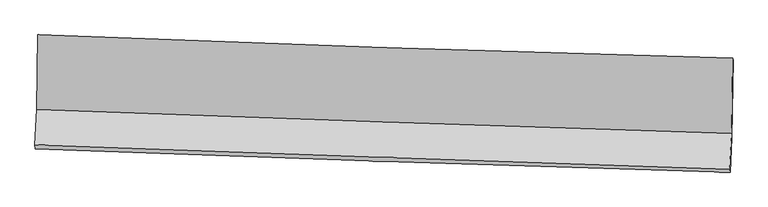
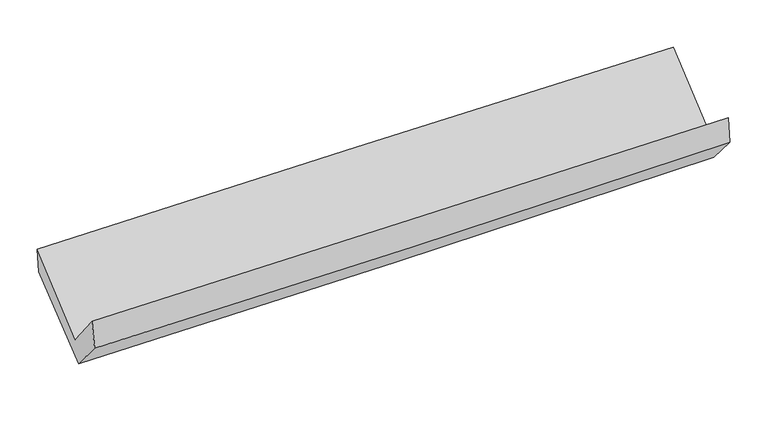
"""IFC4 building model written with IfcOpenShell, lengths in millimetres: proxy geometry."""

from ifc_helpers import new_model, si_unit, frame, origin, place, context, project, spatial, source, transform, mapped, element, save
from ifc_brep_helpers import plane_surface, spline_curve, spline_surface, advanced_brep


def generic_models_6e4bf990(model_context):
    return source(origin(), model_context, "Body", "AdvancedBrep", [
        advanced_brep(
        [(-2407.3217417, -1127.0404477, 2196.5692785), (-2413.2155769, -1644.5220262, 1775.1980801), (2399.8918542, -1811.5602446, 1840.2389899), (2407.1416224, -1288.5971603, 2257.7973746), (-2426.7671971, -1890.4829142, 2077.4496342), (2385.8962361, -2062.1914902, 2157.4079472), (-2423.2473424, -1919.3301201, 1874.0626972), (2389.1743576, -2080.5464613, 1969.0693055), (-2410.5935085, -1682.6667962, 1601.2581212), (2401.8471442, -1843.8836957, 1696.265125), (-2403.9014919, -1139.6900476, 2019.6515148), (2409.6808961, -1300.9405775, 2114.6823418)],
        [
            (0, 1),
            (1, 2, spline_curve(3, [(-2413.2155769, -1644.5220262, 1775.1980801), (-1610.911440946, -1675.287568585, 1791.486439098), (-808.502279641, -1704.595310792, 1805.051802612), (795.867036513, -1760.272323336, 1826.727635407), (1597.827018958, -1786.643987239, 1834.842574789), (2399.8918542, -1811.5602446, 1840.2389899)], [4, 2, 4], [0.0, 7.905245816020573, 15.80399953212736])),
            (2, 3),
            (3, 0, spline_curve(3, [(2407.1416224, -1288.5971603, 2257.7973746), (1604.815906331, -1266.433445363, 2254.315902272), (802.612528025, -1241.895035007, 2247.476300945), (-802.208794632, -1188.046702722, 2227.072457793), (-1604.826537799, -1158.732875677, 2213.502693963), (-2407.3217417, -1127.0404477, 2196.5692785)], [4, 2, 4], [0.0, 7.898753716106787, 15.80399953212736])),
            (1, 4),
            (4, 5, spline_curve(3, [(-2426.7671971, -1890.4829142, 2077.4496342), (-1624.388970067, -1920.469103891, 2091.248693557), (-821.979808956, -1949.776846032, 2104.814057319), (782.241386275, -2007.011924061, 2131.466444589), (1584.053369519, -2034.940373948, 2144.55385188), (2385.8962361, -2062.1914902, 2157.4079472)], [4, 2, 4], [0.0, 7.904205434933119, 15.80191962435447])),
            (5, 2),
            (4, 6),
            (6, 7, spline_curve(3, [(-2423.2473424, -1919.3301201, 1874.0626972), (-1620.923051371, -1951.064421523, 1885.348626138), (-818.561007934, -1980.370789027, 1898.912995537), (785.579620748, -2034.105583342, 1930.585605922), (1587.35814408, -2058.537996079, 1948.690105761), (2389.1743576, -2080.5464613, 1969.0693055)], [4, 2, 4], [0.0, 7.903885923234116, 15.801280863352082])),
            (7, 5),
            (6, 8),
            (8, 9, spline_curve(3, [(-2410.5935085, -1682.6667962, 1601.2581212), (-1608.265266619, -1714.401211958, 1612.544134158), (-805.899667887, -1743.707683324, 1626.108578859), (798.247277707, -1797.442663568, 1657.781320745), (1600.028563179, -1821.875158699, 1675.885877414), (2401.8471442, -1843.8836957, 1696.265125)], [4, 2, 4], [0.0, 7.903699370922483, 15.80090791193294])),
            (9, 7),
            (8, 10),
            (10, 11, spline_curve(3, [(-2403.9014919, -1139.6900476, 2019.6515148), (-1601.335247, -1171.43135256, 2030.942592439), (-798.755472952, -1200.744072154, 2044.511555354), (805.77201185, -1254.490261334, 2076.192237589), (1607.719700534, -1278.927718704, 2094.300217045), (2409.6808961, -1300.9405775, 2114.6823418)], [4, 2, 4], [0.0, 7.904652368178716, 15.802813123806441])),
            (11, 9),
            (10, 0),
            (3, 11),
        ],
        [
            spline_surface(3, 3, [[(-2407.3217417, -1127.0404477, 2196.5692785), (-1604.826537697, -1158.732875591, 2213.502693982), (-802.208794578, -1188.046702704, 2227.072457913), (802.612527971, -1241.895035025, 2247.476300825), (1604.815906224, -1266.433445476, 2254.315902253), (2407.1416224, -1288.5971603, 2257.7973746)], [(-2409.286353427, -1299.534307181, 2056.112212361), (-1606.854838735, -1330.917773206, 2072.830608979), (-804.306622947, -1360.22957202, 2086.398906167), (800.364030793, -1414.687464474, 2107.226745657), (1602.486277153, -1439.836959436, 2114.491459796), (2404.725033002, -1462.918188411, 2118.611246363)], [(-2411.250965173, -1472.028166719, 1915.655146239), (-1608.883139793, -1503.102670876, 1932.158523994), (-806.404451256, -1532.412441387, 1945.725354433), (798.115533676, -1587.479893976, 1966.977190501), (1600.156648078, -1613.240473362, 1974.66701735), (2402.308443598, -1637.239216489, 1979.425118137)], [(-2413.2155769, -1644.5220262, 1775.1980801), (-1610.911440831, -1675.287568491, 1791.486438992), (-808.502279625, -1704.595310702, 1805.051802686), (795.867036498, -1760.272323426, 1826.727635333), (1597.827019007, -1786.643987321, 1834.842574893), (2399.8918542, -1811.5602446, 1840.2389899)]], [4, 4], [4, 2, 4], [0.0, 2.1895153959325278], [0.0, 7.905245816020573, 15.80399953212736]),
            spline_surface(3, 3, [[(-2413.2155769, -1644.5220262, 1775.1980801), (-1610.911440831, -1675.287568491, 1791.486438992), (-808.502279625, -1704.595310702, 1805.051802686), (795.867036498, -1760.272323426, 1826.727635333), (1597.827019007, -1786.643987321, 1834.842574893), (2399.8918542, -1811.5602446, 1840.2389899)], [(-2417.732783629, -1726.508988875, 1875.948598143), (-1615.403950597, -1757.014746927, 1891.407190541), (-812.994789391, -1786.322489138, 1904.972554236), (791.325153087, -1842.518856996, 1928.307238431), (1593.235802499, -1869.409449509, 1938.079667226), (2395.226648179, -1895.10399313, 1945.961975646)], [(-2422.249990371, -1808.495951525, 1976.699116157), (-1619.896460376, -1838.741925338, 1991.327942063), (-817.487299169, -1868.049667548, 2004.893305758), (786.783269664, -1924.76539054, 2029.886841502), (1588.644585954, -1952.174911705, 2041.316759621), (2390.561442121, -1978.64774167, 2051.684961454)], [(-2426.7671971, -1890.4829142, 2077.4496342), (-1624.388970142, -1920.469103773, 2091.248693613), (-821.979808935, -1949.776845984, 2104.814057307), (782.241386253, -2007.011924109, 2131.466444601), (1584.053369446, -2034.940373893, 2144.553851954), (2385.8962361, -2062.1914902, 2157.4079472)]], [4, 4], [4, 2, 4], [0.0, 1.279250253254115], [0.0, 7.904205434933119, 15.80191962435447]),
            spline_surface(3, 3, [[(-2426.7671971, -1890.4829142, 2077.4496342), (-1624.388970142, -1920.469103773, 2091.248693613), (-821.979808935, -1949.776845984, 2104.814057307), (782.241386253, -2007.011924109, 2131.466444601), (1584.053369446, -2034.940373893, 2144.553851954), (2385.8962361, -2062.1914902, 2157.4079472)], [(-2425.593912202, -1900.098649494, 2009.653988505), (-1623.233663855, -1930.667542997, 2022.615337728), (-820.840208591, -1959.974827023, 2036.180370091), (783.354131078, -2016.043143841, 2064.50616502), (1585.154960964, -2042.806247941, 2079.265936529), (2386.988943247, -2068.309813888, 2094.628399976)], [(-2424.420627298, -1909.714384806, 1941.858342895), (-1622.078357562, -1940.86598224, 1953.98198193), (-819.700608252, -1970.172808043, 1967.546682845), (784.466875897, -2025.074363555, 1997.54588541), (1586.25655254, -2050.672122025, 2013.978021077), (2388.081650453, -2074.428137612, 2031.848852724)], [(-2423.2473424, -1919.3301201, 1874.0626972), (-1620.923051275, -1951.064421463, 1885.348626045), (-818.561007908, -1980.370789082, 1898.912995629), (785.579620722, -2034.105583287, 1930.58560583), (1587.358144058, -2058.537996073, 1948.690105652), (2389.1743576, -2080.5464613, 1969.0693055)]], [4, 4], [4, 2, 4], [0.0, 0.6740683327132795], [0.0, 7.903885923234116, 15.801280863352082]),
            spline_surface(3, 3, [[(-2423.2473424, -1919.3301201, 1874.0626972), (-1620.923051275, -1951.064421463, 1885.348626045), (-818.561007908, -1980.370789082, 1898.912995629), (785.579620722, -2034.105583287, 1930.58560583), (1587.358144058, -2058.537996073, 1948.690105652), (2389.1743576, -2080.5464613, 1969.0693055)], [(-2419.029397785, -1840.442345474, 1783.127838552), (-1616.703789709, -1872.176684958, 1794.413795422), (-814.340561238, -1901.48308715, 1807.978190007), (789.802173045, -1955.217943379, 1839.650844143), (1591.581617145, -1979.650383622, 1857.755362905), (2393.398619822, -2001.658872763, 1878.134578673)], [(-2414.811453115, -1761.554570826, 1692.192979848), (-1612.484528089, -1793.28894843, 1703.478964743), (-810.120114555, -1822.59538524, 1717.04338442), (794.024725381, -1876.330303493, 1748.716082493), (1595.805090167, -1900.762771181, 1766.820620138), (2397.622881978, -1922.771284237, 1787.199851827)], [(-2410.5935085, -1682.6667962, 1601.2581212), (-1608.265266523, -1714.401211926, 1612.54413412), (-805.899667884, -1743.707683308, 1626.108578798), (798.247277704, -1797.442663585, 1657.781320806), (1600.028563254, -1821.875158729, 1675.885877391), (2401.8471442, -1843.8836957, 1696.265125)]], [4, 4], [4, 2, 4], [0.0, 1.1856139456263102], [0.0, 7.903699370922483, 15.80090791193294]),
            spline_surface(3, 3, [[(-2410.5935085, -1682.6667962, 1601.2581212), (-1608.265266523, -1714.401211926, 1612.54413412), (-805.899667884, -1743.707683308, 1626.108578798), (798.247277704, -1797.442663585, 1657.781320806), (1600.028563254, -1821.875158729, 1675.885877391), (2401.8471442, -1843.8836957, 1696.265125)], [(-2408.36283628, -1501.674546657, 1740.72258574), (-1605.955260007, -1533.411258811, 1752.010286912), (-803.518269588, -1562.719812884, 1765.576237667), (800.755522426, -1616.458529531, 1797.251626389), (1602.592275662, -1640.892678707, 1815.357323911), (2404.458394818, -1662.902656322, 1835.737530581)], [(-2406.13216412, -1320.682297143, 1880.18705026), (-1603.645253552, -1352.421305725, 1891.476439683), (-801.13687128, -1381.731942474, 1905.043896528), (803.263767159, -1435.474395491, 1936.721931964), (1605.155988114, -1459.910198619, 1954.828770488), (2407.069645482, -1481.921616878, 1975.209936219)], [(-2403.9014919, -1139.6900476, 2019.6515148), (-1601.335247037, -1171.431352611, 2030.942592475), (-798.755472984, -1200.74407205, 2044.511555396), (805.772011882, -1254.490261438, 2076.192237547), (1607.719700522, -1278.927718597, 2094.300217008), (2409.6808961, -1300.9405775, 2114.6823418)]], [4, 4], [4, 2, 4], [0.0, 2.2490428236064135], [0.0, 7.904652368178716, 15.802813123806441]),
            spline_surface(3, 3, [[(-2403.9014919, -1139.6900476, 2019.6515148), (-1601.335247037, -1171.431352611, 2030.942592475), (-798.755472984, -1200.74407205, 2044.511555396), (805.772011882, -1254.490261438, 2076.192237547), (1607.719700522, -1278.927718597, 2094.300217008), (2409.6808961, -1300.9405775, 2114.6823418)], [(-2405.041575178, -1135.473514319, 2078.6241027), (-1602.499010602, -1167.198526956, 2091.795959643), (-799.90658016, -1196.511615616, 2105.365189563), (804.7188506, -1250.291852649, 2133.286925301), (1606.751769088, -1274.762960875, 2147.638778784), (2408.834471532, -1296.826105085, 2162.387352761)], [(-2406.181658422, -1131.256980981, 2137.5966906), (-1603.662774132, -1162.965701246, 2152.649326813), (-801.057687402, -1192.279159138, 2166.218823746), (803.665689253, -1246.093443814, 2190.381613071), (1605.783837658, -1270.598203198, 2200.977340477), (2407.988046968, -1292.711632715, 2210.092363639)], [(-2407.3217417, -1127.0404477, 2196.5692785), (-1604.826537697, -1158.732875591, 2213.502693982), (-802.208794578, -1188.046702704, 2227.072457913), (802.612527971, -1241.895035025, 2247.476300825), (1604.815906224, -1266.433445476, 2254.315902253), (2407.1416224, -1288.5971603, 2257.7973746)]], [4, 4], [4, 2, 4], [0.0, 0.5820515682690057], [0.0, 7.905785934373786, 15.805079325267275]),
            plane_surface(frame((2398.9386851, -1731.2866049, 2005.9101807), z_axis=(0.9993407271011081, -0.030082785992526187, 0.02032577535929314), x_axis=(0.011427655064515877, 0.7920300244788141, 0.6103751707137304))),
            plane_surface(frame((-2414.1744764, -1567.2887253, 1924.0315544), z_axis=(-0.9993568400488764, 0.02879004848486297, -0.021378478799107672), x_axis=(0.019279616044981185, -0.07130456541394874, -0.997268246439385))),
        ],
        [
            (0, [[1, 2, 3, 4]]),
            (1, [[5, 6, 7, -2]]),
            (2, [[8, 9, 10, -6]]),
            (3, [[11, 12, 13, -9]]),
            (4, [[14, 15, 16, -12]]),
            (5, [[17, -4, 18, -15]]),
            (6, [[-16, -18, -3, -7, -10, -13]]),
            (7, [[-17, -14, -11, -8, -5, -1]]),
        ],
    ),
    ])


if __name__ == "__main__":
    model = new_model("IFC4")
    model_context = context("Model", 3, world=origin())
    ifc_project = project(units=[si_unit("LENGTHUNIT", "METRE", prefix="MILLI")], contexts=[model_context])
    site = spatial("IfcSite", under=ifc_project)
    building = spatial("IfcBuilding", under=site)
    placement = place(None, origin())
    generic_models_shape = generic_models_6e4bf990(model_context)
    element("IfcBuildingElementProxy", 1, Name="Generic Models", at=placement, inside=building, context=model_context, shape_type="MappedRepresentation", body=[
        mapped(generic_models_shape, transform((0.0, 0.0, 0.0), x_axis=(1.0, 0.0, 0.0), y_axis=(0.0, 1.0, 0.0), z_axis=(0.0, 0.0, 1.0))),
    ])
    save(model, "model.ifc")
